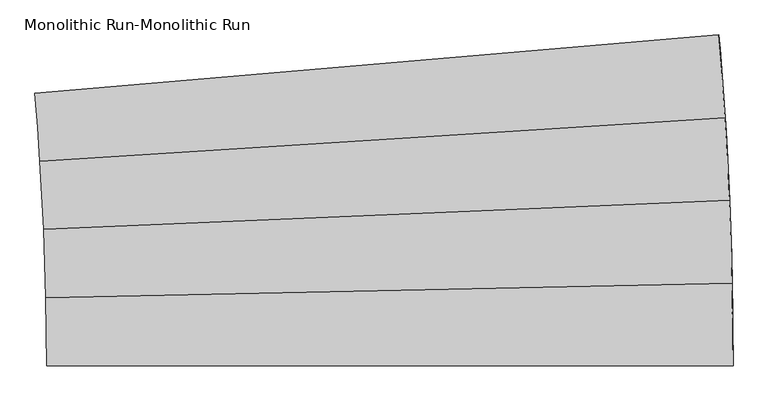
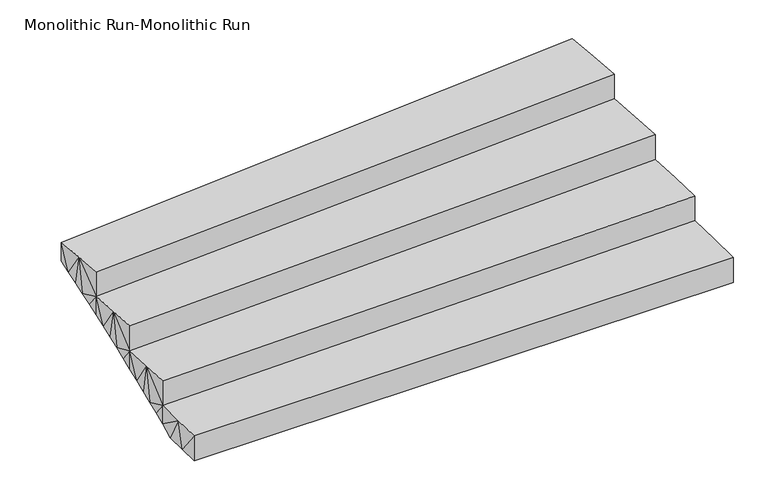
"""IFC4 building model written with IfcOpenShell, lengths in millimetres: stair geometry, Monolithic Run-Monolithic Run."""

from ifc_helpers import new_model, si_unit, origin, place, context, project, spatial, faceted_brep, source, transform, mapped, element, save


def monolithic_run_monolithic_run_60db21d1(model_context):
    return source(origin(), model_context, "Body", "Brep", [
        faceted_brep([(3051.3434223, 182.5630398, 145.1428571), (3048.4586348, 363.5103511, 145.1428571), (49.1368474, 299.7230868, 145.1428571), (51.5125547, 150.7076539, 145.1428571), (52.3018341, 1.6753748, 145.1428571), (3052.301833, 1.5952722, 145.1428571), (50.5102823, 226.0143203, 0.0), (49.1368474, 299.7230868, 35.898162), (51.8554318, 113.8490278, 0.0), (52.3018341, 1.6753748, 0.0), (3052.301833, 1.5952722, 0.0), (3051.7597731, 137.8061366, 0.0), (3049.3514198, 318.7597032, 17.9490832), (3048.4586348, 363.5103511, 35.898162), (3050.1263772, 274.006849, 0.0), (3043.6477975, 544.4167006, 290.2857143), (3036.9114555, 725.2615876, 290.2857143), (39.6274056, 597.6358698, 290.2857143), (45.1749813, 448.7047864, 290.2857143), (49.1368474, 299.7230868, 290.2857143), (3048.4586348, 363.5103511, 290.2857143), (42.0366843, 538.0706043, 152.0124543), (39.6274056, 597.6358698, 181.0410191), (44.1923051, 478.4956027, 122.9838812), (46.0942281, 418.9119624, 93.9553082), (47.7424188, 359.3207635, 64.9267351), (3047.0690055, 423.8180323, 60.0886385), (3043.6477974, 544.4167032, 108.4695916), (3045.4653863, 484.1204027, 84.2791151), (3041.6162618, 604.7061744, 132.6600681), (3039.370805, 664.9880573, 156.8505447), (3036.9114555, 725.2615876, 181.0410191), (3028.2503722, 906.0245183, 435.4285714), (3017.6655291, 1086.685008, 435.4285714), (23.7778191, 895.2786866, 435.4285714), (32.4947487, 746.4994597, 435.4285714), (39.6274056, 597.6358698, 435.4285714), (3036.9114555, 725.2615876, 435.4285714), (27.4546437, 835.7782123, 297.1553115), (23.7778191, 895.2786866, 326.1838763), (30.878075, 776.262604, 268.1267384), (34.04805, 716.7329579, 239.0981653), (36.9645111, 657.1903533, 210.0695922), (3034.2382439, 785.5260168, 205.2314957), (3028.2503721, 906.0245208, 253.6124487), (3031.3512039, 845.7805807, 229.4219722), (3024.9357873, 966.2570785, 277.8029253), (3021.4074914, 1026.4774954, 301.9934018), (3017.6655291, 1086.685008, 326.1838763), (3005.1581257, 1267.2225839, 580.5714286), (2990.7295793, 1447.616787, 580.5714286), (1.5952722, 1192.5166222, 580.5714286), (13.4776045, 1043.9566903, 580.5714286), (23.7778191, 895.2786866, 580.5714286), (3017.6655291, 1086.685008, 580.5714286), (6.537976, 1133.1079094, 442.2981686), (1.5952722, 1192.5166222, 471.3267334), (11.2276662, 1073.6786715, 413.2695955), (15.6642563, 1014.2300031, 384.2410225), (19.8476659, 954.762982, 355.2124494), (3013.7099469, 1146.8788686, 350.3743528), (3005.1581255, 1267.2225865, 398.7553059), (3009.5407948, 1207.058314, 374.5648293), (3000.561994, 1327.3709285, 422.9457824), (2995.7524583, 1387.5025828, 447.1362589), (2990.7295793, 1447.616787, 471.3267334), (2326.4775111, 1390.9278615, 471.3267334), (1994.351477, 1362.5833988, 471.3267334), (1662.2254429, 1334.238936, 471.3267334), (1330.0994087, 1305.8944733, 471.3267334), (997.9733746, 1277.5500105, 471.3267334), (665.8473405, 1249.2055477, 471.3267334), (717.0916367, 236.6793267, 0.0), (1050.3823139, 242.0118298, 0.0), (2050.2543456, 258.0093394, 0.0), (2383.5450228, 263.3418426, 0.0), (2716.8357, 268.6743458, 0.0), (1548.3412496, 524.2092994, 120.5648378), (1528.983686, 908.8232756, 289.8981664)], [[[0, 1, 2, 3, 4, 5]], [[6, 3, 7]], [[2, 7, 3]], [[8, 4, 3]], [[4, 8, 9]], [[6, 8, 3]], [[5, 4, 9, 10]], [[10, 11, 5]], [[0, 5, 11]], [[11, 12, 0]], [[13, 0, 12]], [[1, 0, 13]], [[12, 11, 14]], [[15, 16, 17, 18, 19, 20]], [[21, 18, 17]], [[17, 22, 21]], [[18, 21, 23]], [[23, 24, 18]], [[18, 24, 2]], [[2, 24, 25]], [[2, 25, 7]], [[19, 18, 2]], [[20, 19, 2, 1]], [[13, 26, 1]], [[15, 20, 1, 27]], [[28, 1, 26]], [[27, 1, 28]], [[29, 30, 15]], [[27, 29, 15]], [[30, 16, 15]], [[16, 30, 31]], [[32, 33, 34, 35, 36, 37]], [[38, 35, 34]], [[34, 39, 38]], [[35, 38, 40]], [[40, 41, 35]], [[35, 41, 17]], [[17, 41, 42]], [[17, 42, 22]], [[36, 35, 17]], [[37, 36, 17, 16]], [[31, 43, 16]], [[32, 37, 16, 44]], [[45, 16, 43]], [[44, 16, 45]], [[46, 47, 32]], [[44, 46, 32]], [[47, 33, 32]], [[33, 47, 48]], [[49, 50, 51, 52, 53, 54]], [[55, 52, 51]], [[51, 56, 55]], [[52, 55, 57]], [[57, 58, 52]], [[52, 58, 34]], [[34, 58, 59]], [[34, 59, 39]], [[53, 52, 34]], [[54, 53, 34, 33]], [[48, 60, 33]], [[49, 54, 33, 61]], [[62, 33, 60]], [[61, 33, 62]], [[63, 64, 49]], [[61, 63, 49]], [[64, 50, 49]], [[50, 64, 65]], [[50, 65, 66, 67, 68, 69, 70, 71, 56, 51]], [[9, 8, 6, 72, 73, 74, 75, 76, 14, 11, 10]], [[7, 72, 6]], [[25, 73, 72]], [[74, 73, 77]], [[77, 73, 25]], [[22, 77, 21]], [[77, 22, 42]], [[24, 77, 25]], [[24, 23, 77]], [[7, 25, 72]], [[78, 42, 41]], [[75, 74, 26]], [[76, 75, 13]], [[12, 14, 76]], [[26, 13, 75]], [[12, 76, 13]], [[77, 26, 74]], [[77, 28, 26]], [[27, 77, 29]], [[29, 77, 30]], [[77, 31, 30]], [[31, 77, 43]], [[43, 77, 78]], [[77, 42, 78]], [[39, 59, 78]], [[59, 58, 78]], [[78, 41, 40]], [[38, 78, 40]], [[58, 69, 78]], [[71, 57, 55]], [[56, 71, 55]], [[28, 77, 27]], [[69, 58, 70]], [[21, 77, 23]], [[70, 57, 71]], [[39, 78, 38]], [[70, 58, 57]], [[69, 68, 78]], [[78, 47, 46]], [[78, 48, 47]], [[78, 60, 48]], [[78, 62, 60]], [[62, 68, 61]], [[78, 44, 45]], [[78, 46, 44]], [[67, 66, 63]], [[67, 63, 61]], [[63, 66, 64]], [[66, 65, 64]], [[67, 61, 68]], [[62, 78, 68]], [[43, 78, 45]]]),
    ])


if __name__ == "__main__":
    model = new_model("IFC4")
    model_context = context("Model", 3, world=origin())
    ifc_project = project(units=[si_unit("LENGTHUNIT", "METRE", prefix="MILLI")], contexts=[model_context])
    site = spatial("IfcSite", under=ifc_project)
    building = spatial("IfcBuilding", under=site)
    placement = place(None, origin())
    monolithic_run_monolithic_run_shape = monolithic_run_monolithic_run_60db21d1(model_context)
    element("IfcStair", 1, ObjectType="Monolithic Run-Monolithic Run", at=placement, inside=building, context=model_context, shape_type="MappedRepresentation", body=[
        mapped(monolithic_run_monolithic_run_shape, transform((0.0, 0.0, 0.0), x_axis=(1.0, 0.0, 0.0), y_axis=(0.0, 1.0, 0.0), z_axis=(0.0, 0.0, 1.0))),
    ])
    save(model, "model.ifc")
